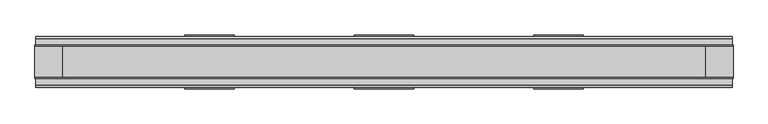
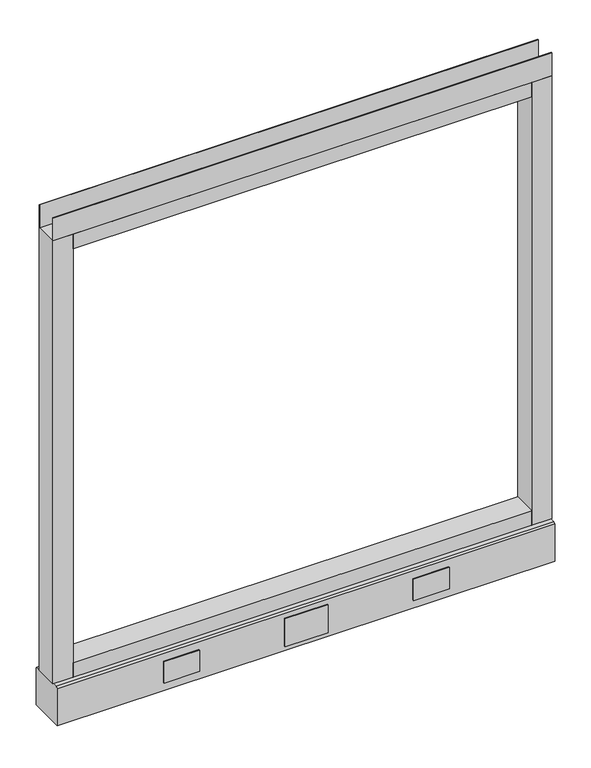
"""IFC4 building model written with IfcOpenShell, lengths in millimetres: furniture geometry."""

from ifc_helpers import new_model, si_unit, point, frame, frame_2d, origin, place, context, project, spatial, polyline, circle_curve, trimmed, segment, composite_curve, outline, extrude, source, transform, mapped, element, save
from ifc_brep_helpers import plane_surface, revolved_surface, advanced_brep


def furniture_84db70c0(model_context):
    return source(origin(), model_context, "Body", "SolidModel", [
        advanced_brep(
        [(463.55, 0.0, 6.35), (488.95, 0.0, 6.35), (457.2, 0.0, 0.0), (495.3, 0.0, 0.0)],
        [
            (0, 1, circle_curve(frame((476.25, 0.0, 6.35), z_axis=(-3.04822833645449e-12, 0.0, 1.0), x_axis=(-1.0, 0.0, -3.0481774992714863e-12)), 12.7)),
            (1, 0, circle_curve(frame((476.25, 0.0, 6.35), z_axis=(-3.04822833645449e-12, 0.0, 1.0), x_axis=(1.0, 0.0, 3.0481774992807776e-12)), 12.7)),
            (2, 3, circle_curve(frame((476.25, 0.0, 0.0), z_axis=(3.04822833645449e-12, 0.0, -1.0), x_axis=(1.0, 0.0, 3.0481774992807776e-12)), 19.05)),
            (3, 2, circle_curve(frame((476.25, 0.0, 0.0), z_axis=(3.04822833645449e-12, 0.0, -1.0), x_axis=(-1.0, 0.0, -3.0481774992714863e-12)), 19.05)),
            (3, 1),
            (0, 2),
        ],
        [
            plane_surface(frame((476.25, 0.0, 6.35), z_axis=(0.0, 0.0, 1.0), x_axis=(0.0, -1.0, 0.0))),
            plane_surface(frame((476.25, 0.0, 0.0), z_axis=(0.0, 0.0, -1.0), x_axis=(0.0, -1.0, 0.0))),
            revolved_surface(polyline([(463.55, 0.0, 6.35), (457.19999999988386, 0.0, -1.1613821015998838e-10)]), (476.25, 0.0, 19.05), (3.04822833645449e-12, 0.0, -1.0)),
            revolved_surface(polyline([(488.94999999992257, 0.0, 6.350000000077424), (495.3, 0.0, 0.0)]), (476.25, 0.0, 19.05), (3.04822833645449e-12, 0.0, -1.0)),
        ],
        [
            (0, [[1, 2]]),
            (1, [[3, 4]]),
            (2, [[-4, 5, -1, 6]]),
            (3, [[-3, -6, -2, -5]]),
        ],
    ),
        advanced_brep(
        [(-488.95, 0.0, 6.35), (-463.55, 0.0, 6.35), (-495.3, 0.0, 0.0), (-457.2, 0.0, 0.0)],
        [
            (0, 1, circle_curve(frame((-476.25, 0.0, 6.35), z_axis=(1.065814103655416e-12, 0.0, 1.0), x_axis=(-1.0, 0.0, 1.065778760947478e-12)), 12.7)),
            (1, 0, circle_curve(frame((-476.25, 0.0, 6.35), z_axis=(1.065814103655416e-12, 0.0, 1.0), x_axis=(1.0, 0.0, -1.0657787609463422e-12)), 12.7)),
            (2, 3, circle_curve(frame((-476.25, 0.0, 0.0), z_axis=(-1.065814103655416e-12, 0.0, -1.0), x_axis=(1.0, 0.0, -1.0657787609463422e-12)), 19.05)),
            (3, 2, circle_curve(frame((-476.25, 0.0, 0.0), z_axis=(-1.065814103655416e-12, 0.0, -1.0), x_axis=(-1.0, 0.0, 1.065778760947478e-12)), 19.05)),
            (3, 1),
            (0, 2),
        ],
        [
            plane_surface(frame((-476.25, 0.0, 6.35), z_axis=(0.0, 0.0, 1.0), x_axis=(0.0, -1.0, 0.0))),
            plane_surface(frame((-476.25, 0.0, 0.0), z_axis=(0.0, 0.0, -1.0), x_axis=(0.0, -1.0, 0.0))),
            revolved_surface(polyline([(-488.94999999997293, 0.0, 6.350000000027071), (-495.3, 0.0, 0.0)]), (-476.25, 0.0, 19.05), (-1.065814103655416e-12, 0.0, -1.0)),
            revolved_surface(polyline([(-463.55, 0.0, 6.35), (-457.1999999999594, 0.0, -4.0607517348689726e-11)]), (-476.25, 0.0, 19.05), (-1.065814103655416e-12, 0.0, -1.0)),
        ],
        [
            (0, [[1, 2]]),
            (1, [[3, 4]]),
            (2, [[-4, 5, -1, 6]]),
            (3, [[-3, -6, -2, -5]]),
        ],
    ),
        extrude(outline(polyline([(304.8, 39.0921875), (228.6, 39.0921875), (228.6, 41.4020035), (304.8, 41.4020035), (304.8, 39.0921875)])), frame((0.0, 0.0, 32.512), z_axis=(0.0, 0.0, 1.0), x_axis=(1.0, 0.0, 0.0)), (0.0, 0.0, 1.0), 48.26),
        extrude(outline(polyline([(45.7708, 39.0921875), (-45.7708, 39.0921875), (-45.7708, 41.4020035), (45.7708, 41.4020035), (45.7708, 39.0921875)])), frame((0.0, 0.0, 23.8125), z_axis=(0.0, 0.0, 1.0), x_axis=(1.0, 0.0, 0.0)), (0.0, 0.0, 1.0), 63.5),
        extrude(outline(polyline([(-228.6, 39.0921875), (-304.8, 39.0921875), (-304.8, 41.4020035), (-228.6, 41.4020035), (-228.6, 39.0921875)])), frame((0.0, 0.0, 32.512), z_axis=(0.0, 0.0, 1.0), x_axis=(1.0, 0.0, 0.0)), (0.0, 0.0, 1.0), 48.26),
        extrude(outline(polyline([(304.8, -41.4019923), (228.6, -41.4019923), (228.6, -39.0921875), (304.8, -39.0921875), (304.8, -41.4019923)])), frame((0.0, 0.0, 32.512), z_axis=(0.0, 0.0, 1.0), x_axis=(1.0, 0.0, 0.0)), (0.0, 0.0, 1.0), 48.26),
        extrude(outline(polyline([(-228.6, -41.4019923), (-304.8, -41.4019923), (-304.8, -39.0921875), (-228.6, -39.0921875), (-228.6, -41.4019923)])), frame((0.0, 0.0, 32.512), z_axis=(0.0, 0.0, 1.0), x_axis=(1.0, 0.0, 0.0)), (0.0, 0.0, 1.0), 48.26),
        extrude(outline(polyline([(45.7708, -41.4019923), (-45.7708, -41.4019923), (-45.7708, -39.0921875), (45.7708, -39.0921875), (45.7708, -41.4019923)])), frame((0.0, 0.0, 23.8125), z_axis=(0.0, 0.0, 1.0), x_axis=(1.0, 0.0, 0.0)), (0.0, 0.0, 1.0), 63.5),
        extrude(outline(polyline([(533.4, -23.8125), (533.4, -25.4), (-533.4, -25.4), (-533.4, -23.8125), (533.4, -23.8125)])), frame((0.0, 0.0, 1102.233), z_axis=(0.0, 0.0, 1.0), x_axis=(1.0, 0.0, 0.0)), (0.0, 0.0, 1.0), 51.435),
        extrude(outline(polyline([(533.4, 25.4), (533.4, 23.8125), (-533.4, 23.8125), (-533.4, 25.4), (533.4, 25.4)])), frame((0.0, 0.0, 1102.233), z_axis=(0.0, 0.0, 1.0), x_axis=(1.0, 0.0, 0.0)), (0.0, 0.0, 1.0), 51.435),
        extrude(outline(polyline([(490.5375, -25.4), (-490.5375, -25.4), (-490.5375, 25.4), (490.5375, 25.4), (490.5375, -25.4)])), frame((0.0, 0.0, 1069.34), z_axis=(0.0, 0.0, 1.0), x_axis=(1.0, 0.0, 0.0)), (0.0, 0.0, 1.0), 32.893),
        extrude(outline(polyline([(490.5375, -25.4), (-490.5375, -25.4), (-490.5375, 25.4), (490.5375, 25.4), (490.5375, -25.4)])), frame((0.0, 0.0, 101.6), z_axis=(0.0, 0.0, 1.0), x_axis=(1.0, 0.0, 0.0)), (0.0, 0.0, 1.0), 32.893),
        extrude(outline(composite_curve([segment(trimmed(circle_curve(frame_2d((-476.25, 0.0)), 5.55625), [point((-481.80625, 0.0))], [point((-470.69375, 0.0))], False, "CARTESIAN"), True, "CONTINUOUS"), segment(trimmed(circle_curve(frame_2d((-476.25, 0.0)), 5.55625), [point((-470.69375, 0.0))], [point((-481.80625, 0.0))], False, "CARTESIAN"), True, "CONTINUOUS")], self_intersect=False)), frame((0.0, 0.0, 6.35), z_axis=(0.0, 0.0, 1.0), x_axis=(1.0, 0.0, 0.0)), (0.0, 0.0, 1.0), 7.9375),
        extrude(outline(composite_curve([segment(trimmed(circle_curve(frame_2d((476.25, 0.0)), 5.55625), [point((470.69375, 0.0))], [point((481.80625, 0.0))], False, "CARTESIAN"), True, "CONTINUOUS"), segment(trimmed(circle_curve(frame_2d((476.25, 0.0)), 5.55625), [point((481.80625, 0.0))], [point((470.69375, 0.0))], False, "CARTESIAN"), True, "CONTINUOUS")], self_intersect=False)), frame((0.0, 0.0, 6.35), z_axis=(0.0, 0.0, 1.0), x_axis=(1.0, 0.0, 0.0)), (0.0, 0.0, 1.0), 7.9375),
        extrude(outline(polyline([(-490.5375, -25.4), (-533.4, -25.4), (-533.4, 25.4), (-490.5375, 25.4), (-490.5375, -25.4)])), frame((0.0, 0.0, 101.6), z_axis=(0.0, 0.0, 1.0), x_axis=(1.0, 0.0, 0.0)), (0.0, 0.0, 1.0), 1000.633),
        extrude(outline(polyline([(533.4, -25.4), (490.5375, -25.4), (490.5375, 25.4), (533.4, 25.4), (533.4, -25.4)])), frame((0.0, 0.0, 101.6), z_axis=(0.0, 0.0, 1.0), x_axis=(1.0, 0.0, 0.0)), (0.0, 0.0, 1.0), 1000.633),
        extrude(outline(polyline([(-35.9171875, 101.6), (35.9171875, 101.6), (39.0921875, 98.425), (39.0921875, 14.2875), (-39.0921875, 14.2875), (-39.0921875, 98.425), (-35.9171875, 101.6)])), frame((-532.257, 0.0, 0.0), z_axis=(1.0, 0.0, 0.0), x_axis=(0.0, 1.0, 0.0)), (0.0, 0.0, 1.0), 1064.5140102),
    ])


if __name__ == "__main__":
    model = new_model("IFC4")
    model_context = context("Model", 3, world=origin())
    ifc_project = project(units=[si_unit("LENGTHUNIT", "METRE", prefix="MILLI")], contexts=[model_context])
    site = spatial("IfcSite", under=ifc_project)
    building = spatial("IfcBuilding", under=site)
    placement = place(None, origin())
    furniture_shape = furniture_84db70c0(model_context)
    element("IfcFurniture", 1, at=placement, inside=building, context=model_context, shape_type="MappedRepresentation", body=[
        mapped(furniture_shape, transform((0.0, 0.0, 0.0), x_axis=(1.0, 0.0, 0.0), y_axis=(0.0, 1.0, 0.0), z_axis=(0.0, 0.0, 1.0))),
    ])
    save(model, "model.ifc")
